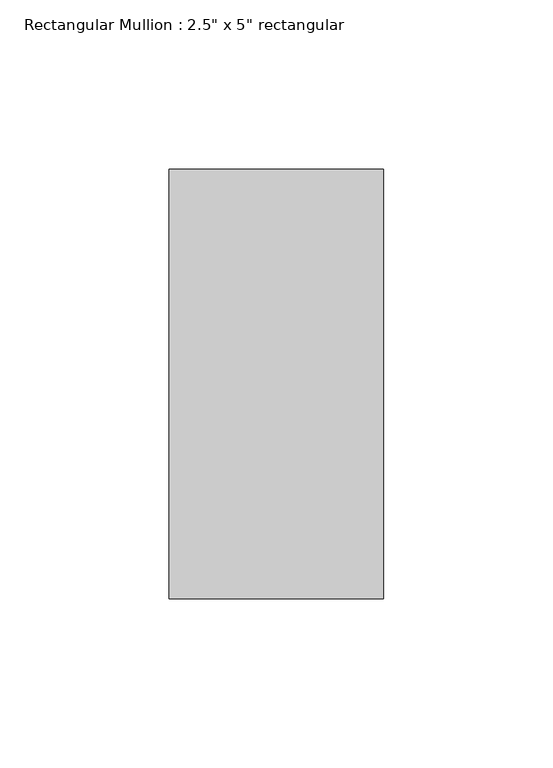
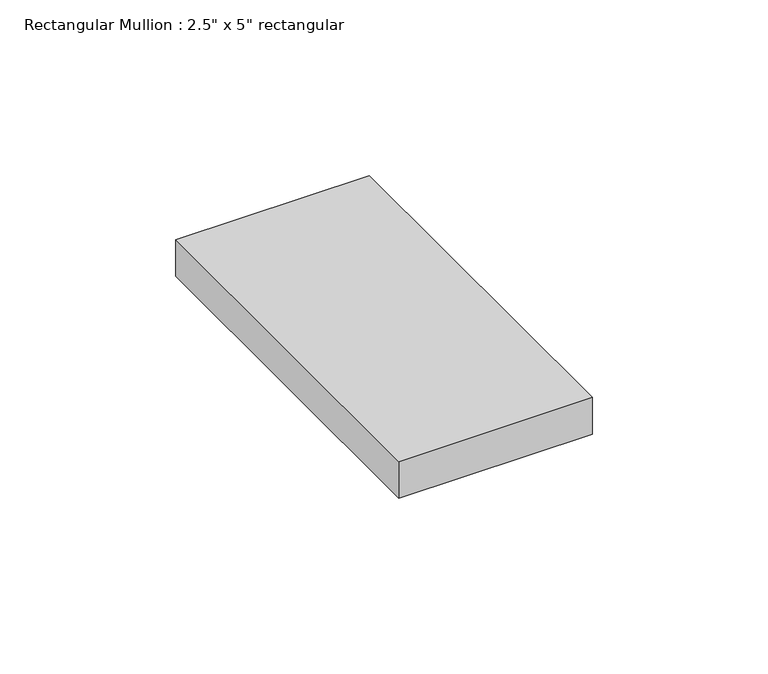
"""IFC4 building model written with IfcOpenShell, lengths in millimetres: member geometry."""

from ifc_helpers import new_model, si_unit, frame, origin, place, context, project, spatial, polyline, outline, extrude, source, transform, mapped, element, save


def member_87516575(model_context):
    return source(origin(), model_context, "Body", "SweptSolid", [
        extrude(outline(polyline([(0.0, 63.5), (0.0, -63.5), (-63.5, -63.5), (-63.5, 63.5), (0.0, 63.5)])), frame((0.0, 0.0, -12.7), z_axis=(0.0, 0.0, 1.0), x_axis=(1.0, 0.0, 0.0)), (0.0, 0.0, 1.0), 12.7),
    ])


if __name__ == "__main__":
    model = new_model("IFC4")
    model_context = context("Model", 3, world=origin())
    ifc_project = project(units=[si_unit("LENGTHUNIT", "METRE", prefix="MILLI")], contexts=[model_context])
    site = spatial("IfcSite", under=ifc_project)
    building = spatial("IfcBuilding", under=site)
    placement = place(None, origin())
    member_shape = member_87516575(model_context)
    element("IfcMember", 1, ObjectType="Rectangular Mullion : 2.5\" x 5\" rectangular", at=placement, inside=building, context=model_context, shape_type="MappedRepresentation", body=[
        mapped(member_shape, transform((0.0, 0.0, 0.0), x_axis=(1.0, 0.0, 0.0), y_axis=(0.0, 1.0, 0.0), z_axis=(0.0, 0.0, 1.0))),
    ])
    save(model, "model.ifc")
